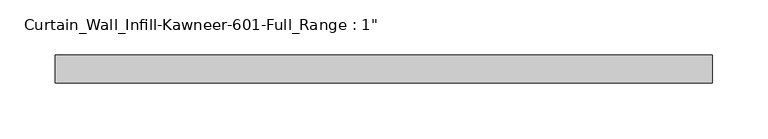
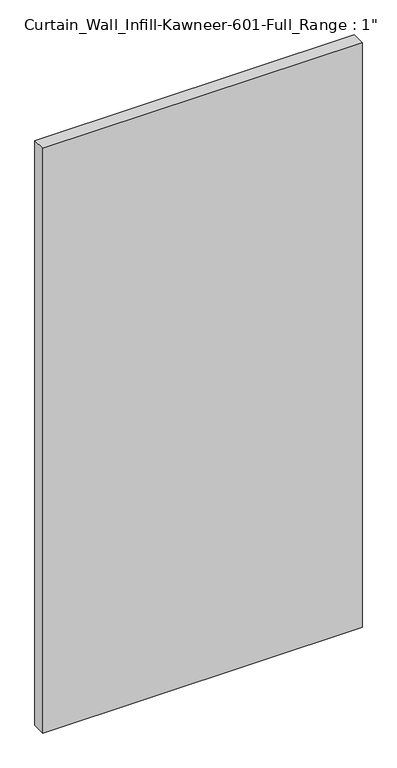
"""IFC4 building model written with IfcOpenShell, lengths in millimetres: plate geometry."""

from ifc_helpers import new_model, si_unit, origin, origin_with_axes, place, context, project, spatial, polyline, outline, extrude, source, transform, mapped, element, save


def plate_b7d7eb78(model_context):
    return source(origin(), model_context, "Body", "SweptSolid", [
        extrude(outline(polyline([(-296.8625, 12.7), (296.8625, 12.7), (296.8625, -12.7), (-296.8625, -12.7), (-296.8625, 12.7)])), origin_with_axes(), (0.0, 0.0, 1.0), 1149.35),
    ])


if __name__ == "__main__":
    model = new_model("IFC4")
    model_context = context("Model", 3, world=origin())
    ifc_project = project(units=[si_unit("LENGTHUNIT", "METRE", prefix="MILLI")], contexts=[model_context])
    site = spatial("IfcSite", under=ifc_project)
    building = spatial("IfcBuilding", under=site)
    placement = place(None, origin())
    plate_shape = plate_b7d7eb78(model_context)
    element("IfcPlate", 1, ObjectType="Curtain_Wall_Infill-Kawneer-601-Full_Range : 1\"", at=placement, inside=building, context=model_context, shape_type="MappedRepresentation", body=[
        mapped(plate_shape, transform((0.0, 0.0, 0.0), x_axis=(1.0, 0.0, 0.0), y_axis=(0.0, 1.0, 0.0), z_axis=(0.0, 0.0, 1.0))),
    ])
    save(model, "model.ifc")
